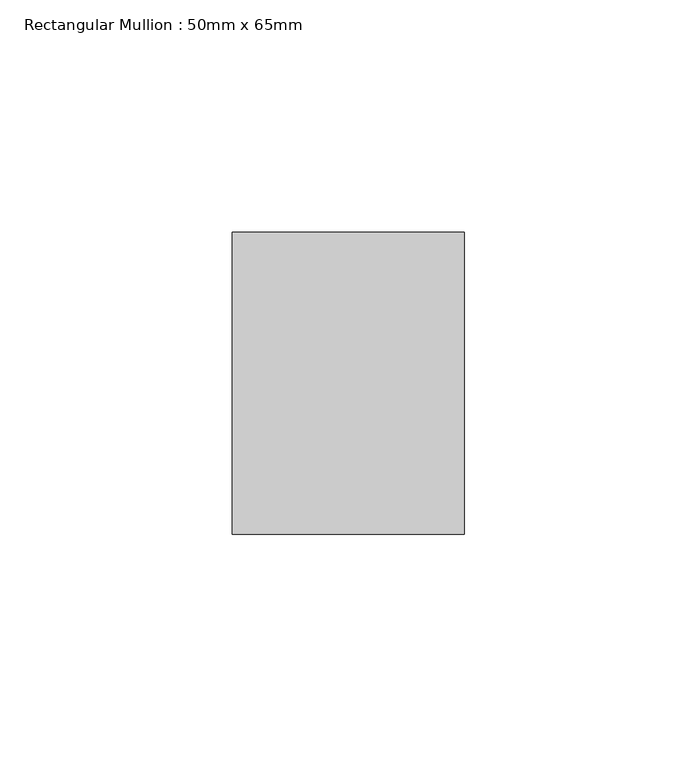
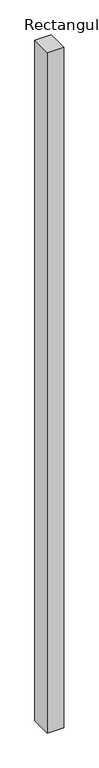
"""IFC4 building model written with IfcOpenShell, lengths in millimetres: member geometry, Rectangular Mullion : 50mm x 65mm."""

from ifc_helpers import new_model, si_unit, frame, origin, place, context, project, spatial, polyline, outline, extrude, source, transform, mapped, element, save


def rectangular_mullion_50mm_x_65mm_8f83114b(model_context):
    return source(origin(), model_context, "Body", "SweptSolid", [
        extrude(outline(polyline([(25.0, 32.5), (25.0, -32.5), (-25.0, -32.5), (-25.0, 32.5), (25.0, 32.5)])), frame((0.0, 0.0, -2186.9740231), z_axis=(0.0, 0.0, 1.0), x_axis=(1.0, 0.0, 0.0)), (0.0, 0.0, 1.0), 2186.9740231),
    ])


if __name__ == "__main__":
    model = new_model("IFC4")
    model_context = context("Model", 3, world=origin())
    ifc_project = project(units=[si_unit("LENGTHUNIT", "METRE", prefix="MILLI")], contexts=[model_context])
    site = spatial("IfcSite", under=ifc_project)
    building = spatial("IfcBuilding", under=site)
    placement = place(None, origin())
    rectangular_mullion_50mm_x_65mm_shape = rectangular_mullion_50mm_x_65mm_8f83114b(model_context)
    element("IfcMember", 1, ObjectType="Rectangular Mullion : 50mm x 65mm", at=placement, inside=building, context=model_context, shape_type="MappedRepresentation", body=[
        mapped(rectangular_mullion_50mm_x_65mm_shape, transform((0.0, 0.0, 0.0), x_axis=(1.0, 0.0, 0.0), y_axis=(0.0, 1.0, 0.0), z_axis=(0.0, 0.0, 1.0))),
    ])
    save(model, "model.ifc")
